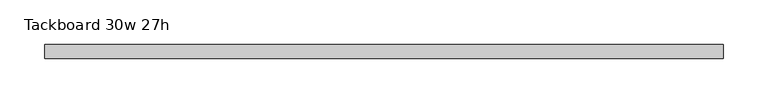
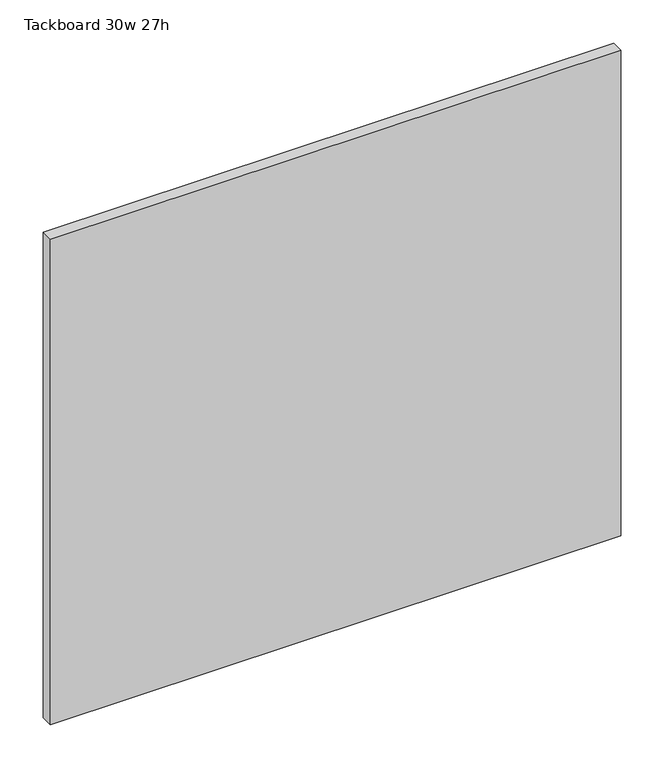
"""IFC4 building model written with IfcOpenShell, lengths in millimetres: furniture geometry, Tackboard 30w 27h."""

from ifc_helpers import new_model, si_unit, frame, origin, place, context, project, spatial, polyline, outline, extrude, source, transform, mapped, element, save


def tackboard_30w_27h_70bd6424(model_context):
    return source(origin(), model_context, "Body", "SweptSolid", [
        extrude(outline(polyline([(383.4402902, -28.8968594), (-378.5597098, -28.8968594), (-378.5597098, -13.0218594), (383.4402902, -13.0218594), (383.4402902, -28.8968594)])), frame((0.0, 0.0, 1066.8), z_axis=(0.0, 0.0, 1.0), x_axis=(1.0, 0.0, 0.0)), (0.0, 0.0, 1.0), 685.8),
    ])


if __name__ == "__main__":
    model = new_model("IFC4")
    model_context = context("Model", 3, world=origin())
    ifc_project = project(units=[si_unit("LENGTHUNIT", "METRE", prefix="MILLI")], contexts=[model_context])
    site = spatial("IfcSite", under=ifc_project)
    building = spatial("IfcBuilding", under=site)
    placement = place(None, origin())
    tackboard_30w_27h_shape = tackboard_30w_27h_70bd6424(model_context)
    element("IfcFurniture", 1, ObjectType="Tackboard 30w 27h", at=placement, inside=building, context=model_context, shape_type="MappedRepresentation", body=[
        mapped(tackboard_30w_27h_shape, transform((0.0, 0.0, 0.0), x_axis=(1.0, 0.0, 0.0), y_axis=(0.0, 1.0, 0.0), z_axis=(0.0, 0.0, 1.0))),
    ])
    save(model, "model.ifc")
